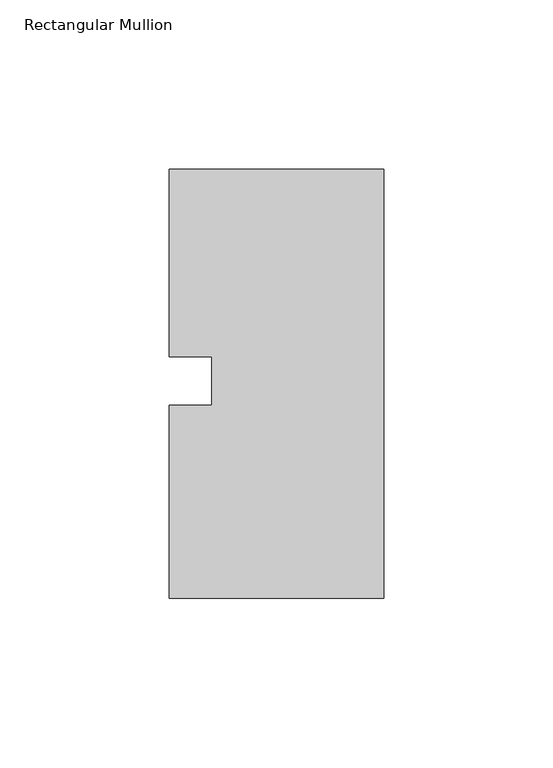
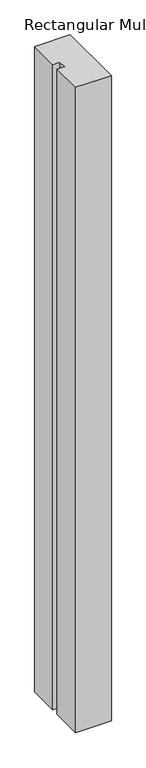
"""IFC4 building model written with IfcOpenShell, lengths in millimetres: member geometry, Rectangular Mullion."""

from ifc_helpers import new_model, si_unit, frame, origin, place, context, project, spatial, polyline, outline, extrude, source, transform, mapped, element, save


def rectangular_mullion_4c6cbe9d(model_context):
    return source(origin(), model_context, "Body", "SweptSolid", [
        extrude(outline(polyline([(36.0844027, 62.70625), (36.0844027, 7.14375), (36.0844027, -7.14375), (36.0844027, -64.29375), (-27.4155973, -64.29375), (-27.4155973, -7.14375), (-14.7155973, -7.14375), (-14.7155973, 7.14375), (-27.4155973, 7.14375), (-27.4155973, 62.70625), (36.0844027, 62.70625)])), frame((0.0, 0.0, -1219.2), z_axis=(0.0, 0.0, 1.0), x_axis=(1.0, 0.0, 0.0)), (0.0, 0.0, 1.0), 1219.2),
    ])


if __name__ == "__main__":
    model = new_model("IFC4")
    model_context = context("Model", 3, world=origin())
    ifc_project = project(units=[si_unit("LENGTHUNIT", "METRE", prefix="MILLI")], contexts=[model_context])
    site = spatial("IfcSite", under=ifc_project)
    building = spatial("IfcBuilding", under=site)
    placement = place(None, origin())
    rectangular_mullion_shape = rectangular_mullion_4c6cbe9d(model_context)
    element("IfcMember", 1, ObjectType="Rectangular Mullion", at=placement, inside=building, context=model_context, shape_type="MappedRepresentation", body=[
        mapped(rectangular_mullion_shape, transform((0.0, 0.0, 0.0), x_axis=(1.0, 0.0, 0.0), y_axis=(0.0, 1.0, 0.0), z_axis=(0.0, 0.0, 1.0))),
    ])
    save(model, "model.ifc")
